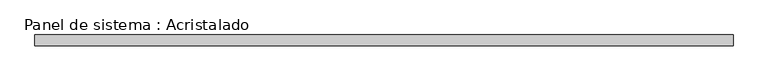
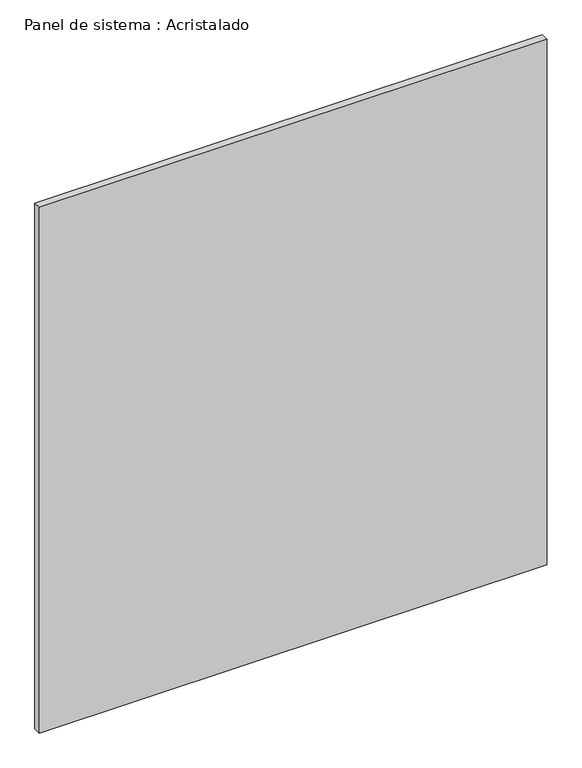
"""IFC4 building model written with IfcOpenShell, lengths in millimetres: plate geometry, Panel de sistema : Acristalado."""

from ifc_helpers import new_model, si_unit, origin, origin_with_axes, place, context, project, spatial, polyline, outline, extrude, source, transform, mapped, element, save


def panel_de_sistema_acristalado_c18398dc(model_context):
    return source(origin(), model_context, "Body", "SweptSolid", [
        extrude(outline(polyline([(658.3504807, -10.0), (-658.3504807, -10.0), (-658.3504807, 10.0), (658.3504807, 10.0), (658.3504807, -10.0)])), origin_with_axes(), (0.0, 0.0, 1.0), 1441.0),
    ])


if __name__ == "__main__":
    model = new_model("IFC4")
    model_context = context("Model", 3, world=origin())
    ifc_project = project(units=[si_unit("LENGTHUNIT", "METRE", prefix="MILLI")], contexts=[model_context])
    site = spatial("IfcSite", under=ifc_project)
    building = spatial("IfcBuilding", under=site)
    placement = place(None, origin())
    panel_de_sistema_acristalado_shape = panel_de_sistema_acristalado_c18398dc(model_context)
    element("IfcPlate", 1, ObjectType="Panel de sistema : Acristalado", at=placement, inside=building, context=model_context, shape_type="MappedRepresentation", body=[
        mapped(panel_de_sistema_acristalado_shape, transform((0.0, 0.0, 0.0), x_axis=(1.0, 0.0, 0.0), y_axis=(0.0, 1.0, 0.0), z_axis=(0.0, 0.0, 1.0))),
    ])
    save(model, "model.ifc")
